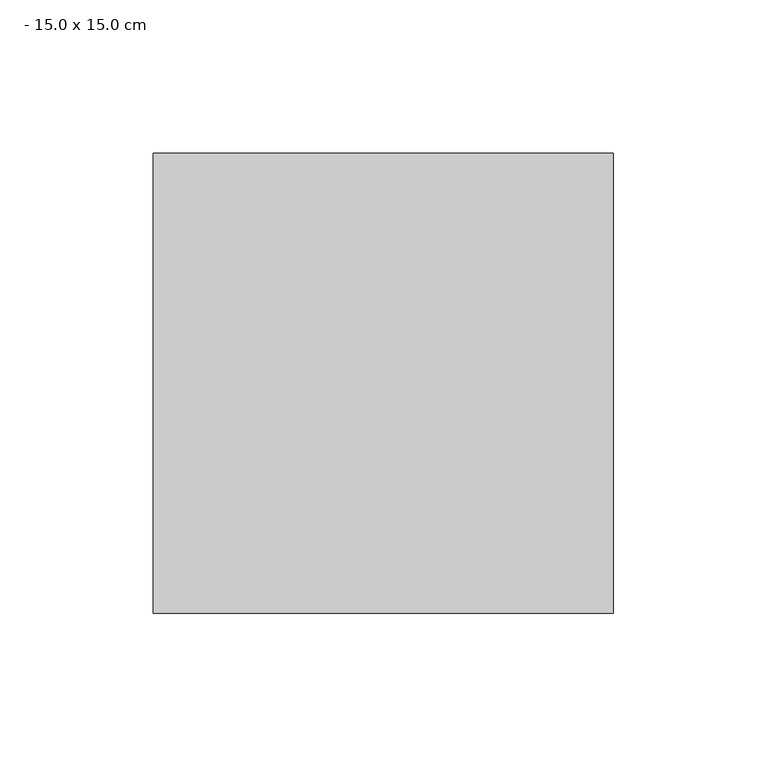
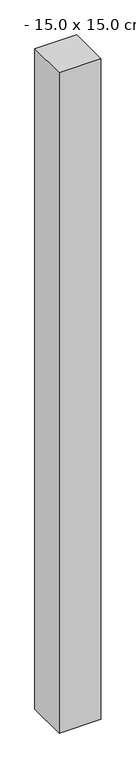
"""IFC4 building model written with IfcOpenShell, lengths in millimetres: column geometry, - 15.0 x 15.0 cm."""

from ifc_helpers import new_model, si_unit, origin, origin_with_axes, place, context, project, spatial, polyline, outline, extrude, source, transform, mapped, element, save


def column_15_0_x_15_0_cm_c21d2a4d(model_context):
    return source(origin(), model_context, "Body", "SweptSolid", [
        extrude(outline(polyline([(0.0, 75.0), (0.0, -75.0), (-150.0, -75.0), (-150.0, 75.0), (0.0, 75.0)])), origin_with_axes(), (0.0, 0.0, 1.0), 2500.0),
    ])


if __name__ == "__main__":
    model = new_model("IFC4")
    model_context = context("Model", 3, world=origin())
    ifc_project = project(units=[si_unit("LENGTHUNIT", "METRE", prefix="MILLI")], contexts=[model_context])
    site = spatial("IfcSite", under=ifc_project)
    building = spatial("IfcBuilding", under=site)
    placement = place(None, origin())
    column_15_0_x_15_0_cm_shape = column_15_0_x_15_0_cm_c21d2a4d(model_context)
    element("IfcColumn", 1, ObjectType="- 15.0 x 15.0 cm", at=placement, inside=building, context=model_context, shape_type="MappedRepresentation", body=[
        mapped(column_15_0_x_15_0_cm_shape, transform((0.0, 0.0, 0.0), x_axis=(1.0, 0.0, 0.0), y_axis=(0.0, 1.0, 0.0), z_axis=(0.0, 0.0, 1.0))),
    ])
    save(model, "model.ifc")
